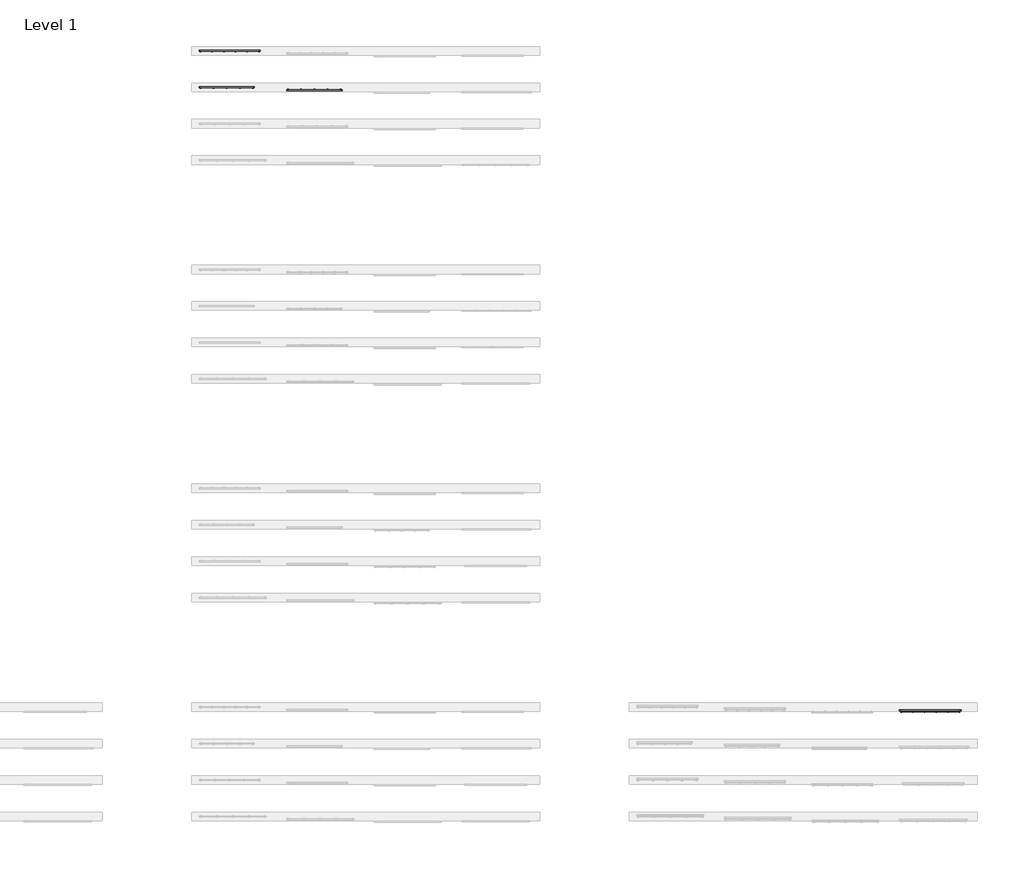
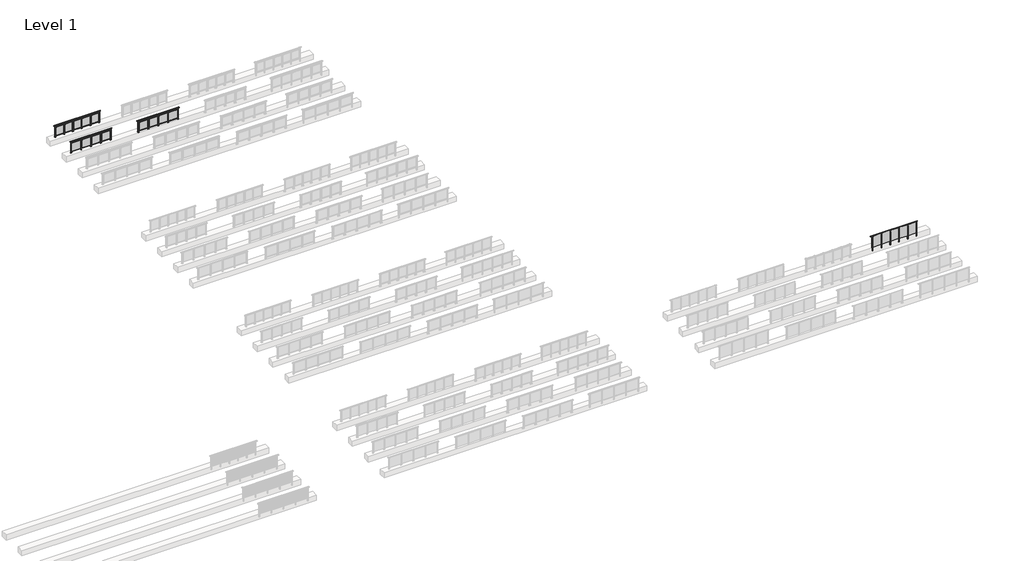
# One storey, part 35 of 37: 4 railings.
"""IFC4 building model written with IfcOpenShell, lengths in millimetres."""

import ifcopenshell
import ifcopenshell.guid

model = None  # the IFC model being written
_history = None  # IfcOwnerHistory: only IFC2X3 demands one
_inside = {}  # id of a spatial element -> (the spatial element, [elements in it])
_under = {}  # id of a project, library or spatial element -> (it, [spatial elements below it])
_declared = {}  # id of a project -> (the project, [libraries it declares])
_typed = {}  # id of a type object -> (the type object, [elements of that type])
_made_of = {}  # id of a material, layer set ... -> (it, [elements and type objects made of it])


def new_model(schema):
    """Start an empty IFC model of exactly this schema.

    Asked for "IFC4X3", IfcOpenShell would pick the latest addendum, in which some entities
    have other attributes; the version numbers below select the first issue.
    IFC2X3 requires an IfcOwnerHistory on every rooted entity: one is made here for all.
    """
    global model, _history
    if schema == "IFC4X3":
        model = ifcopenshell.file(schema_version=(4, 3, 0, 0))
    else:
        model = ifcopenshell.file(schema=schema)
    _inside.clear()
    _under.clear()
    _declared.clear()
    _typed.clear()
    _made_of.clear()
    _history = None
    if model.schema == "IFC2X3":
        org = make("IfcOrganization", Name="unknown")
        user = make(
            "IfcPersonAndOrganization",
            ThePerson=make("IfcPerson", FamilyName="unknown"),
            TheOrganization=org,
        )
        app = make(
            "IfcApplication",
            ApplicationDeveloper=org,
            Version="unknown",
            ApplicationFullName="unknown",
            ApplicationIdentifier="unknown",
        )
        _history = make(
            "IfcOwnerHistory",
            OwningUser=user,
            OwningApplication=app,
            ChangeAction="ADDED",
            CreationDate=0,
        )
    return model


def make(cls, **values):
    """One entity of the class cls with the attributes given. An attribute that is None is left unset."""
    return model.create_entity(
        cls, **{name: value for name, value in values.items() if value is not None}
    )


def rooted(cls, **values):
    """An entity with a GlobalId (a new one), such as an element, a storey or a relation."""
    return make(cls, GlobalId=ifcopenshell.guid.new(), OwnerHistory=_history, **values)


def si_unit(unit_type, name, prefix=None):
    """IfcSIUnit, for example si_unit("LENGTHUNIT", "METRE", prefix="MILLI")."""
    return make("IfcSIUnit", UnitType=unit_type, Prefix=prefix, Name=name)


def assignment(units):
    """IfcUnitAssignment: the units of a project."""
    return None if units is None else make("IfcUnitAssignment", Units=units)


def point(xyz):
    """IfcCartesianPoint."""
    return None if xyz is None else make("IfcCartesianPoint", Coordinates=xyz)


def direction(xyz):
    """IfcDirection."""
    return None if xyz is None else make("IfcDirection", DirectionRatios=xyz)


def frame(location, z_axis=None, x_axis=None):
    """IfcAxis2Placement3D, a coordinate frame: its origin and axes. An axis left out is left unset."""
    return make(
        "IfcAxis2Placement3D",
        Location=point(location),
        Axis=direction(z_axis),
        RefDirection=direction(x_axis),
    )


def frame_2d(location, x_axis=None):
    """IfcAxis2Placement2D, a coordinate frame in the plane: its origin and x axis."""
    return make(
        "IfcAxis2Placement2D", Location=point(location), RefDirection=direction(x_axis)
    )


def origin():
    """The frame at (0, 0, 0) with its axes left unset."""
    return frame((0.0, 0.0, 0.0))


def origin_with_axes():
    """The frame at (0, 0, 0) with the z axis (0, 0, 1) and the x axis (1, 0, 0) written out."""
    return frame((0.0, 0.0, 0.0), z_axis=(0.0, 0.0, 1.0), x_axis=(1.0, 0.0, 0.0))


def place(relative_to, where):
    """IfcLocalPlacement: puts the frame where relative to a parent placement (None: the world)."""
    return make(
        "IfcLocalPlacement", PlacementRelTo=relative_to, RelativePlacement=where
    )


def context(
    kind, dimensions, precision=None, world=None, true_north=None, identifier=None
):
    """IfcGeometricRepresentationContext, for example the 3D "Model" context."""
    return make(
        "IfcGeometricRepresentationContext",
        ContextIdentifier=identifier,
        ContextType=kind,
        CoordinateSpaceDimension=dimensions,
        Precision=precision,
        WorldCoordinateSystem=world,
        TrueNorth=true_north,
    )


def project(units=None, contexts=None):
    """IfcProject with its units and contexts."""
    return rooted(
        "IfcProject",
        Name="project",
        RepresentationContexts=contexts,
        UnitsInContext=assignment(units),
    )


def spatial(cls, under=None, at=None, **own):
    """A site, building, storey or space (cls), placed at a placement, below another one or the project."""
    s = rooted(cls, ObjectPlacement=at, **own)
    if under is not None:
        _under.setdefault(under.id(), (under, []))[1].append(s)
    return s


def polyline(points):
    """IfcPolyline through the points."""
    return make("IfcPolyline", Points=[point(p) for p in points])


def circle_curve(where, radius):
    """IfcCircle in the frame where."""
    return make("IfcCircle", Position=where, Radius=radius)


def trimmed(basis, trim1, trim2, sense, master):
    """IfcTrimmedCurve: the piece of a basis curve between two trims."""
    return make(
        "IfcTrimmedCurve",
        BasisCurve=basis,
        Trim1=trim1,
        Trim2=trim2,
        SenseAgreement=sense,
        MasterRepresentation=master,
    )


def segment(curve, same_sense, transition):
    """IfcCompositeCurveSegment."""
    return make(
        "IfcCompositeCurveSegment",
        Transition=transition,
        SameSense=same_sense,
        ParentCurve=curve,
    )


def composite_curve(segments, self_intersect=None):
    """IfcCompositeCurve: segments joined end to end."""
    return make("IfcCompositeCurve", Segments=segments, SelfIntersect=self_intersect)


def outline(outer, holes=None, kind="AREA"):
    """IfcArbitraryClosedProfileDef: a profile drawn as a closed curve; with holes, ...WithVoids."""
    if holes is None:
        return make("IfcArbitraryClosedProfileDef", ProfileType=kind, OuterCurve=outer)
    return make(
        "IfcArbitraryProfileDefWithVoids",
        ProfileType=kind,
        OuterCurve=outer,
        InnerCurves=holes,
    )


def extrude(swept, where, along, depth):
    """IfcExtrudedAreaSolid: the profile swept, set in the frame where, extruded along a direction by depth."""
    return make(
        "IfcExtrudedAreaSolid",
        SweptArea=swept,
        Position=where,
        ExtrudedDirection=direction(along),
        Depth=depth,
    )


def faces_of(points, faces, orient=None, outer=None):
    """IfcFace entities. A face is a list of loops; a loop is a list of indices into points, from 0.

    orient and outer hold one flag for each loop. By default every Orientation is true, the
    first loop of a face is its IfcFaceOuterBound and the others are IfcFaceBound.
    """
    made = []
    for i, loops in enumerate(faces):
        bounds = []
        for j, loop in enumerate(loops):
            is_outer = j == 0 if outer is None else outer[i][j]
            bounds.append(
                make(
                    "IfcFaceOuterBound" if is_outer else "IfcFaceBound",
                    Bound=make("IfcPolyLoop", Polygon=[points[k] for k in loop]),
                    Orientation=True if orient is None else orient[i][j],
                )
            )
        made.append(make("IfcFace", Bounds=bounds))
    return made


def faceted_brep(points, faces, orient=None, outer=None, voids=None):
    """IfcFacetedBrep: a solid bounded by flat faces; with voids (closed shells), ...WithVoids."""
    shared = [point(p) for p in points]
    hull = make("IfcClosedShell", CfsFaces=faces_of(shared, faces, orient, outer))
    if voids is None:
        return make("IfcFacetedBrep", Outer=hull)
    return make(
        "IfcFacetedBrepWithVoids",
        Outer=hull,
        Voids=[
            make(cls, CfsFaces=faces_of(shared, fs, o, b)) for cls, fs, o, b in voids
        ],
    )


def shape(context_of_items, identifier, shape_type, items):
    """IfcShapeRepresentation: the items that make up one representation, for example the "Body"."""
    return make(
        "IfcShapeRepresentation",
        ContextOfItems=context_of_items,
        RepresentationIdentifier=identifier,
        RepresentationType=shape_type,
        Items=items,
    )


def made_of(thing, what):
    """Note that an element or type object is made of a material, layer set ...; save() writes the relation."""
    if what is not None:
        _made_of.setdefault(what.id(), (what, []))[1].append(thing)
    return thing


def element(
    cls,
    number,
    at=None,
    inside=None,
    cuts=None,
    type_object=None,
    material=None,
    context=None,
    identifier="Body",
    shape_type=None,
    held_by="IfcProductDefinitionShape",
    body=None,
    shapes=None,
    **own,
):
    """One element of the class cls, such as IfcWall. Its Tag is "e" and its number.

    at: its placement. inside: the storey or other place that contains it. cuts: it is an
    opening in that element (IfcRelVoidsElement). A single representation is given by context,
    identifier, shape_type and body (its items); several are given by shapes. held_by: the class
    of the entity that holds the representations. save() writes the other relations.
    """
    e = rooted(cls, Tag="e%d" % number, ObjectPlacement=at, **own)
    if body is not None:
        shapes = [shape(context, identifier, shape_type, body)]
    if shapes is not None:
        e.Representation = make(held_by, Representations=shapes)
    if inside is not None:
        _inside.setdefault(inside.id(), (inside, []))[1].append(e)
    if cuts is not None:
        rooted(
            "IfcRelVoidsElement", RelatingBuildingElement=cuts, RelatedOpeningElement=e
        )
    if type_object is not None:
        _typed.setdefault(type_object.id(), (type_object, []))[1].append(e)
    return made_of(e, material)


def aggregate(whole, parts):
    """IfcRelAggregates: a whole, such as a stair, and the parts it consists of."""
    return rooted("IfcRelAggregates", RelatingObject=whole, RelatedObjects=parts)


def save(model, path):
    """Write the relations noted so far, then the file.

    IfcRelAggregates (storeys below a building ...), IfcRelContainedInSpatialStructure (elements
    in a storey), IfcRelDefinesByType, IfcRelAssociatesMaterial and IfcRelDeclares: one each for
    every whole, place, type object, material and project.
    """
    for whole, parts in _under.values():
        aggregate(whole, parts)
    for where, things in _inside.values():
        rooted(
            "IfcRelContainedInSpatialStructure",
            RelatedElements=things,
            RelatingStructure=where,
        )
    for kind, things in _typed.values():
        rooted("IfcRelDefinesByType", RelatedObjects=things, RelatingType=kind)
    for what, things in _made_of.values():
        rooted("IfcRelAssociatesMaterial", RelatedObjects=things, RelatingMaterial=what)
    for by, libraries in _declared.values():
        rooted("IfcRelDeclares", RelatingContext=by, RelatedDefinitions=libraries)
    model.write(path)


model = new_model("IFC4")

# Units and contexts
model_context = context("Model", 3, world=origin())
ifc_project = project(units=[si_unit("LENGTHUNIT", "METRE", prefix="MILLI")], contexts=[model_context])

# Site, building, storey
site = spatial("IfcSite", under=ifc_project)
building = spatial("IfcBuilding", under=site)
storey = spatial("IfcBuildingStorey", under=building, Name="Level 1", Elevation=0.0)

# Railings
placement = place(None, origin())
element("IfcRailing", 1, at=placement, inside=storey, context=model_context, shape_type="SolidModel", body=[
    faceted_brep([(30000.0, 65220.1846828, 1055.0), (30000.0, 65220.1846828, 1100.0), (33600.0, 65220.1846828, 1100.0), (33600.0, 65220.1846828, 1055.0), (30000.0, 65160.1846828, 1055.0), (33600.0, 65160.1846828, 1055.0), (30000.0, 65160.1846828, 1100.0), (33600.0, 65160.1846828, 1100.0), (29900.0, 65220.1846828, 1100.0), (29900.0, 65220.1846828, 1055.0), (29900.0, 65160.1846828, 1055.0), (29900.0, 65160.1846828, 1100.0), (33700.0, 65220.1846828, 1100.0), (33700.0, 65160.1846828, 1100.0), (33700.0, 65160.1846828, 1055.0), (33700.0, 65220.1846828, 1055.0)], [[[0, 1, 2, 3]], [[4, 0, 3, 5]], [[6, 4, 5, 7]], [[1, 6, 7, 2]], [[8, 9, 10, 11]], [[9, 8, 1, 0]], [[10, 9, 0, 4]], [[11, 10, 4, 6]], [[8, 11, 6, 1]], [[12, 13, 14, 15]], [[3, 2, 12, 15]], [[5, 3, 15, 14]], [[7, 5, 14, 13]], [[2, 7, 13, 12]]]),
    extrude(outline(polyline([(30000.0, 65172.6846828), (30000.0, 65207.6846828), (33600.0, 65207.6846828), (33600.0, 65172.6846828), (30000.0, 65172.6846828)])), frame((0.0, 0.0, 930.0), z_axis=(0.0, 0.0, 1.0), x_axis=(1.0, 0.0, 0.0)), (0.0, 0.0, 1.0), 30.0),
    extrude(outline(polyline([(30000.0, 65172.6846828), (30000.0, 65207.6846828), (33600.0, 65207.6846828), (33600.0, 65172.6846828), (30000.0, 65172.6846828)])), frame((0.0, 0.0, 95.0), z_axis=(0.0, 0.0, 1.0), x_axis=(1.0, 0.0, 0.0)), (0.0, 0.0, 1.0), 30.0),
    extrude(outline(polyline([(32772.5, 65191.9598727), (33527.5, 65191.9598727), (33527.5, 65185.9598727), (32772.5, 65185.9598727), (32772.5, 65191.9598727)])), frame((0.0, 0.0, 125.0), z_axis=(0.0, 0.0, 1.0), x_axis=(1.0, 0.0, 0.0)), (0.0, 0.0, 1.0), 805.0),
    extrude(outline(polyline([(32710.0, 65180.1846828), (32690.0, 65180.1846828), (32690.0, 65200.1846828), (32710.0, 65200.1846828), (32710.0, 65180.1846828)])), frame((0.0, 0.0, 1035.0), z_axis=(0.0, 0.0, 1.0), x_axis=(1.0, 0.0, 0.0)), (0.0, 0.0, 1.0), 20.0),
    extrude(outline(polyline([(32722.5, 65157.6846828), (32677.5, 65157.6846828), (32677.5, 65222.6846828), (32722.5, 65222.6846828), (32722.5, 65157.6846828)])), frame((0.0, 0.0, 1027.0), z_axis=(0.0, 0.0, 1.0), x_axis=(1.0, 0.0, 0.0)), (0.0, 0.0, 1.0), 8.0),
    extrude(outline(polyline([(32750.0, 65140.1846828), (32650.0, 65140.1846828), (32650.0, 65240.1846828), (32750.0, 65240.1846828), (32750.0, 65140.1846828)])), origin_with_axes(), (0.0, 0.0, 1.0), 12.0),
    extrude(outline(polyline([(32722.5, 65157.6846828), (32677.5, 65157.6846828), (32677.5, 65222.6846828), (32722.5, 65222.6846828), (32722.5, 65157.6846828)])), frame((0.0, 0.0, 12.0), z_axis=(0.0, 0.0, 1.0), x_axis=(1.0, 0.0, 0.0)), (0.0, 0.0, 1.0), 1015.0),
    extrude(outline(polyline([(31872.5, 65191.9598727), (32627.5, 65191.9598727), (32627.5, 65185.9598727), (31872.5, 65185.9598727), (31872.5, 65191.9598727)])), frame((0.0, 0.0, 125.0), z_axis=(0.0, 0.0, 1.0), x_axis=(1.0, 0.0, 0.0)), (0.0, 0.0, 1.0), 805.0),
    extrude(outline(polyline([(31810.0, 65180.1846828), (31790.0, 65180.1846828), (31790.0, 65200.1846828), (31810.0, 65200.1846828), (31810.0, 65180.1846828)])), frame((0.0, 0.0, 1035.0), z_axis=(0.0, 0.0, 1.0), x_axis=(1.0, 0.0, 0.0)), (0.0, 0.0, 1.0), 20.0),
    extrude(outline(polyline([(31822.5, 65157.6846828), (31777.5, 65157.6846828), (31777.5, 65222.6846828), (31822.5, 65222.6846828), (31822.5, 65157.6846828)])), frame((0.0, 0.0, 1027.0), z_axis=(0.0, 0.0, 1.0), x_axis=(1.0, 0.0, 0.0)), (0.0, 0.0, 1.0), 8.0),
    extrude(outline(polyline([(31850.0, 65140.1846828), (31750.0, 65140.1846828), (31750.0, 65240.1846828), (31850.0, 65240.1846828), (31850.0, 65140.1846828)])), origin_with_axes(), (0.0, 0.0, 1.0), 12.0),
    extrude(outline(polyline([(31822.5, 65157.6846828), (31777.5, 65157.6846828), (31777.5, 65222.6846828), (31822.5, 65222.6846828), (31822.5, 65157.6846828)])), frame((0.0, 0.0, 12.0), z_axis=(0.0, 0.0, 1.0), x_axis=(1.0, 0.0, 0.0)), (0.0, 0.0, 1.0), 1015.0),
    extrude(outline(polyline([(30972.5, 65191.9598727), (31727.5, 65191.9598727), (31727.5, 65185.9598727), (30972.5, 65185.9598727), (30972.5, 65191.9598727)])), frame((0.0, 0.0, 125.0), z_axis=(0.0, 0.0, 1.0), x_axis=(1.0, 0.0, 0.0)), (0.0, 0.0, 1.0), 805.0),
    extrude(outline(polyline([(30910.0, 65180.1846828), (30890.0, 65180.1846828), (30890.0, 65200.1846828), (30910.0, 65200.1846828), (30910.0, 65180.1846828)])), frame((0.0, 0.0, 1035.0), z_axis=(0.0, 0.0, 1.0), x_axis=(1.0, 0.0, 0.0)), (0.0, 0.0, 1.0), 20.0),
    extrude(outline(polyline([(30922.5, 65157.6846828), (30877.5, 65157.6846828), (30877.5, 65222.6846828), (30922.5, 65222.6846828), (30922.5, 65157.6846828)])), frame((0.0, 0.0, 1027.0), z_axis=(0.0, 0.0, 1.0), x_axis=(1.0, 0.0, 0.0)), (0.0, 0.0, 1.0), 8.0),
    extrude(outline(polyline([(30950.0, 65140.1846828), (30850.0, 65140.1846828), (30850.0, 65240.1846828), (30950.0, 65240.1846828), (30950.0, 65140.1846828)])), origin_with_axes(), (0.0, 0.0, 1.0), 12.0),
    extrude(outline(polyline([(30922.5, 65157.6846828), (30877.5, 65157.6846828), (30877.5, 65222.6846828), (30922.5, 65222.6846828), (30922.5, 65157.6846828)])), frame((0.0, 0.0, 12.0), z_axis=(0.0, 0.0, 1.0), x_axis=(1.0, 0.0, 0.0)), (0.0, 0.0, 1.0), 1015.0),
    extrude(outline(polyline([(30072.5, 65191.9598727), (30827.5, 65191.9598727), (30827.5, 65185.9598727), (30072.5, 65185.9598727), (30072.5, 65191.9598727)])), frame((0.0, 0.0, 125.0), z_axis=(0.0, 0.0, 1.0), x_axis=(1.0, 0.0, 0.0)), (0.0, 0.0, 1.0), 805.0),
    extrude(outline(polyline([(33610.0, 65180.1846828), (33590.0, 65180.1846828), (33590.0, 65200.1846828), (33610.0, 65200.1846828), (33610.0, 65180.1846828)])), frame((0.0, 0.0, 1035.0), z_axis=(0.0, 0.0, 1.0), x_axis=(1.0, 0.0, 0.0)), (0.0, 0.0, 1.0), 20.0),
    extrude(outline(polyline([(33622.5, 65157.6846828), (33577.5, 65157.6846828), (33577.5, 65222.6846828), (33622.5, 65222.6846828), (33622.5, 65157.6846828)])), frame((0.0, 0.0, 1027.0), z_axis=(0.0, 0.0, 1.0), x_axis=(1.0, 0.0, 0.0)), (0.0, 0.0, 1.0), 8.0),
    extrude(outline(polyline([(33650.0, 65140.1846828), (33550.0, 65140.1846828), (33550.0, 65240.1846828), (33650.0, 65240.1846828), (33650.0, 65140.1846828)])), origin_with_axes(), (0.0, 0.0, 1.0), 12.0),
    extrude(outline(polyline([(33622.5, 65157.6846828), (33577.5, 65157.6846828), (33577.5, 65222.6846828), (33622.5, 65222.6846828), (33622.5, 65157.6846828)])), frame((0.0, 0.0, 12.0), z_axis=(0.0, 0.0, 1.0), x_axis=(1.0, 0.0, 0.0)), (0.0, 0.0, 1.0), 1015.0),
    extrude(outline(polyline([(30010.0, 65180.1846828), (29990.0, 65180.1846828), (29990.0, 65200.1846828), (30010.0, 65200.1846828), (30010.0, 65180.1846828)])), frame((0.0, 0.0, 1035.0), z_axis=(0.0, 0.0, 1.0), x_axis=(1.0, 0.0, 0.0)), (0.0, 0.0, 1.0), 20.0),
    extrude(outline(polyline([(30022.5, 65157.6846828), (29977.5, 65157.6846828), (29977.5, 65222.6846828), (30022.5, 65222.6846828), (30022.5, 65157.6846828)])), frame((0.0, 0.0, 1027.0), z_axis=(0.0, 0.0, 1.0), x_axis=(1.0, 0.0, 0.0)), (0.0, 0.0, 1.0), 8.0),
    extrude(outline(polyline([(30050.0, 65140.1846828), (29950.0, 65140.1846828), (29950.0, 65240.1846828), (30050.0, 65240.1846828), (30050.0, 65140.1846828)])), origin_with_axes(), (0.0, 0.0, 1.0), 12.0),
    extrude(outline(polyline([(30022.5, 65157.6846828), (29977.5, 65157.6846828), (29977.5, 65222.6846828), (30022.5, 65222.6846828), (30022.5, 65157.6846828)])), frame((0.0, 0.0, 12.0), z_axis=(0.0, 0.0, 1.0), x_axis=(1.0, 0.0, 0.0)), (0.0, 0.0, 1.0), 1015.0),
])
element("IfcRailing", 2, at=placement, inside=storey, context=model_context, shape_type="SolidModel", body=[
    faceted_brep([(36000.0, 65030.1846828, 1055.0), (36000.0, 65030.1846828, 1100.0), (39600.0, 65030.1846828, 1100.0), (39600.0, 65030.1846828, 1055.0), (36000.0, 64970.1846828, 1055.0), (39600.0, 64970.1846828, 1055.0), (36000.0, 64970.1846828, 1100.0), (39600.0, 64970.1846828, 1100.0), (35900.0, 65030.1846828, 1100.0), (35900.0, 65030.1846828, 1055.0), (35900.0, 64970.1846828, 1055.0), (35900.0, 64970.1846828, 1100.0), (39700.0, 65030.1846828, 1100.0), (39700.0, 64970.1846828, 1100.0), (39700.0, 64970.1846828, 1055.0), (39700.0, 65030.1846828, 1055.0)], [[[0, 1, 2, 3]], [[4, 0, 3, 5]], [[6, 4, 5, 7]], [[1, 6, 7, 2]], [[8, 9, 10, 11]], [[9, 8, 1, 0]], [[10, 9, 0, 4]], [[11, 10, 4, 6]], [[8, 11, 6, 1]], [[12, 13, 14, 15]], [[3, 2, 12, 15]], [[5, 3, 15, 14]], [[7, 5, 14, 13]], [[2, 7, 13, 12]]]),
    extrude(outline(polyline([(36000.0, 64982.6846828), (36000.0, 65017.6846828), (39600.0, 65017.6846828), (39600.0, 64982.6846828), (36000.0, 64982.6846828)])), frame((0.0, 0.0, 930.0), z_axis=(0.0, 0.0, 1.0), x_axis=(1.0, 0.0, 0.0)), (0.0, 0.0, 1.0), 30.0),
    extrude(outline(polyline([(36000.0, 64982.6846828), (36000.0, 65017.6846828), (39600.0, 65017.6846828), (39600.0, 64982.6846828), (36000.0, 64982.6846828)])), frame((0.0, 0.0, 95.0), z_axis=(0.0, 0.0, 1.0), x_axis=(1.0, 0.0, 0.0)), (0.0, 0.0, 1.0), 30.0),
    extrude(outline(polyline([(38772.5, 65001.9598727), (39527.5, 65001.9598727), (39527.5, 64995.9598727), (38772.5, 64995.9598727), (38772.5, 65001.9598727)])), frame((0.0, 0.0, 125.0), z_axis=(0.0, 0.0, 1.0), x_axis=(1.0, 0.0, 0.0)), (0.0, 0.0, 1.0), 805.0),
    extrude(outline(polyline([(38710.0, 64990.1846828), (38690.0, 64990.1846828), (38690.0, 65010.1846828), (38710.0, 65010.1846828), (38710.0, 64990.1846828)])), frame((0.0, 0.0, 1035.0), z_axis=(0.0, 0.0, 1.0), x_axis=(1.0, 0.0, 0.0)), (0.0, 0.0, 1.0), 20.0),
    extrude(outline(polyline([(38722.5, 64967.6846828), (38677.5, 64967.6846828), (38677.5, 65032.6846828), (38722.5, 65032.6846828), (38722.5, 64967.6846828)])), frame((0.0, 0.0, 1027.0), z_axis=(0.0, 0.0, 1.0), x_axis=(1.0, 0.0, 0.0)), (0.0, 0.0, 1.0), 8.0),
    extrude(outline(polyline([(38750.0, 64950.1846828), (38650.0, 64950.1846828), (38650.0, 65050.1846828), (38750.0, 65050.1846828), (38750.0, 64950.1846828)])), origin_with_axes(), (0.0, 0.0, 1.0), 12.0),
    extrude(outline(polyline([(38722.5, 64967.6846828), (38677.5, 64967.6846828), (38677.5, 65032.6846828), (38722.5, 65032.6846828), (38722.5, 64967.6846828)])), frame((0.0, 0.0, 12.0), z_axis=(0.0, 0.0, 1.0), x_axis=(1.0, 0.0, 0.0)), (0.0, 0.0, 1.0), 1015.0),
    extrude(outline(polyline([(37872.5, 65001.9598727), (38627.5, 65001.9598727), (38627.5, 64995.9598727), (37872.5, 64995.9598727), (37872.5, 65001.9598727)])), frame((0.0, 0.0, 125.0), z_axis=(0.0, 0.0, 1.0), x_axis=(1.0, 0.0, 0.0)), (0.0, 0.0, 1.0), 805.0),
    extrude(outline(polyline([(37810.0, 64990.1846828), (37790.0, 64990.1846828), (37790.0, 65010.1846828), (37810.0, 65010.1846828), (37810.0, 64990.1846828)])), frame((0.0, 0.0, 1035.0), z_axis=(0.0, 0.0, 1.0), x_axis=(1.0, 0.0, 0.0)), (0.0, 0.0, 1.0), 20.0),
    extrude(outline(polyline([(37822.5, 64967.6846828), (37777.5, 64967.6846828), (37777.5, 65032.6846828), (37822.5, 65032.6846828), (37822.5, 64967.6846828)])), frame((0.0, 0.0, 1027.0), z_axis=(0.0, 0.0, 1.0), x_axis=(1.0, 0.0, 0.0)), (0.0, 0.0, 1.0), 8.0),
    extrude(outline(polyline([(37850.0, 64950.1846828), (37750.0, 64950.1846828), (37750.0, 65050.1846828), (37850.0, 65050.1846828), (37850.0, 64950.1846828)])), origin_with_axes(), (0.0, 0.0, 1.0), 12.0),
    extrude(outline(polyline([(37822.5, 64967.6846828), (37777.5, 64967.6846828), (37777.5, 65032.6846828), (37822.5, 65032.6846828), (37822.5, 64967.6846828)])), frame((0.0, 0.0, 12.0), z_axis=(0.0, 0.0, 1.0), x_axis=(1.0, 0.0, 0.0)), (0.0, 0.0, 1.0), 1015.0),
    extrude(outline(polyline([(36972.5, 65001.9598727), (37727.5, 65001.9598727), (37727.5, 64995.9598727), (36972.5, 64995.9598727), (36972.5, 65001.9598727)])), frame((0.0, 0.0, 125.0), z_axis=(0.0, 0.0, 1.0), x_axis=(1.0, 0.0, 0.0)), (0.0, 0.0, 1.0), 805.0),
    extrude(outline(polyline([(36910.0, 64990.1846828), (36890.0, 64990.1846828), (36890.0, 65010.1846828), (36910.0, 65010.1846828), (36910.0, 64990.1846828)])), frame((0.0, 0.0, 1035.0), z_axis=(0.0, 0.0, 1.0), x_axis=(1.0, 0.0, 0.0)), (0.0, 0.0, 1.0), 20.0),
    extrude(outline(polyline([(36922.5, 64967.6846828), (36877.5, 64967.6846828), (36877.5, 65032.6846828), (36922.5, 65032.6846828), (36922.5, 64967.6846828)])), frame((0.0, 0.0, 1027.0), z_axis=(0.0, 0.0, 1.0), x_axis=(1.0, 0.0, 0.0)), (0.0, 0.0, 1.0), 8.0),
    extrude(outline(polyline([(36950.0, 64950.1846828), (36850.0, 64950.1846828), (36850.0, 65050.1846828), (36950.0, 65050.1846828), (36950.0, 64950.1846828)])), origin_with_axes(), (0.0, 0.0, 1.0), 12.0),
    extrude(outline(polyline([(36922.5, 64967.6846828), (36877.5, 64967.6846828), (36877.5, 65032.6846828), (36922.5, 65032.6846828), (36922.5, 64967.6846828)])), frame((0.0, 0.0, 12.0), z_axis=(0.0, 0.0, 1.0), x_axis=(1.0, 0.0, 0.0)), (0.0, 0.0, 1.0), 1015.0),
    extrude(outline(polyline([(36072.5, 65001.9598727), (36827.5, 65001.9598727), (36827.5, 64995.9598727), (36072.5, 64995.9598727), (36072.5, 65001.9598727)])), frame((0.0, 0.0, 125.0), z_axis=(0.0, 0.0, 1.0), x_axis=(1.0, 0.0, 0.0)), (0.0, 0.0, 1.0), 805.0),
    extrude(outline(polyline([(39610.0, 64990.1846828), (39590.0, 64990.1846828), (39590.0, 65010.1846828), (39610.0, 65010.1846828), (39610.0, 64990.1846828)])), frame((0.0, 0.0, 1035.0), z_axis=(0.0, 0.0, 1.0), x_axis=(1.0, 0.0, 0.0)), (0.0, 0.0, 1.0), 20.0),
    extrude(outline(polyline([(39622.5, 64967.6846828), (39577.5, 64967.6846828), (39577.5, 65032.6846828), (39622.5, 65032.6846828), (39622.5, 64967.6846828)])), frame((0.0, 0.0, 1027.0), z_axis=(0.0, 0.0, 1.0), x_axis=(1.0, 0.0, 0.0)), (0.0, 0.0, 1.0), 8.0),
    extrude(outline(polyline([(39650.0, 64950.1846828), (39550.0, 64950.1846828), (39550.0, 65050.1846828), (39650.0, 65050.1846828), (39650.0, 64950.1846828)])), origin_with_axes(), (0.0, 0.0, 1.0), 12.0),
    extrude(outline(polyline([(39622.5, 64967.6846828), (39577.5, 64967.6846828), (39577.5, 65032.6846828), (39622.5, 65032.6846828), (39622.5, 64967.6846828)])), frame((0.0, 0.0, 12.0), z_axis=(0.0, 0.0, 1.0), x_axis=(1.0, 0.0, 0.0)), (0.0, 0.0, 1.0), 1015.0),
    extrude(outline(polyline([(36010.0, 64990.1846828), (35990.0, 64990.1846828), (35990.0, 65010.1846828), (36010.0, 65010.1846828), (36010.0, 64990.1846828)])), frame((0.0, 0.0, 1035.0), z_axis=(0.0, 0.0, 1.0), x_axis=(1.0, 0.0, 0.0)), (0.0, 0.0, 1.0), 20.0),
    extrude(outline(polyline([(36022.5, 64967.6846828), (35977.5, 64967.6846828), (35977.5, 65032.6846828), (36022.5, 65032.6846828), (36022.5, 64967.6846828)])), frame((0.0, 0.0, 1027.0), z_axis=(0.0, 0.0, 1.0), x_axis=(1.0, 0.0, 0.0)), (0.0, 0.0, 1.0), 8.0),
    extrude(outline(polyline([(36050.0, 64950.1846828), (35950.0, 64950.1846828), (35950.0, 65050.1846828), (36050.0, 65050.1846828), (36050.0, 64950.1846828)])), origin_with_axes(), (0.0, 0.0, 1.0), 12.0),
    extrude(outline(polyline([(36022.5, 64967.6846828), (35977.5, 64967.6846828), (35977.5, 65032.6846828), (36022.5, 65032.6846828), (36022.5, 64967.6846828)])), frame((0.0, 0.0, 12.0), z_axis=(0.0, 0.0, 1.0), x_axis=(1.0, 0.0, 0.0)), (0.0, 0.0, 1.0), 1015.0),
])
element("IfcRailing", 3, at=placement, inside=storey, context=model_context, shape_type="SolidModel", body=[
    faceted_brep([(30000.0, 67720.1846828, 1055.0), (30000.0, 67720.1846828, 1100.0), (34000.0, 67720.1846828, 1100.0), (34000.0, 67720.1846828, 1055.0), (30000.0, 67660.1846828, 1055.0), (34000.0, 67660.1846828, 1055.0), (30000.0, 67660.1846828, 1100.0), (34000.0, 67660.1846828, 1100.0), (29900.0, 67720.1846828, 1100.0), (29900.0, 67720.1846828, 1055.0), (29900.0, 67660.1846828, 1055.0), (29900.0, 67660.1846828, 1100.0), (34100.0, 67720.1846828, 1100.0), (34100.0, 67660.1846828, 1100.0), (34100.0, 67660.1846828, 1055.0), (34100.0, 67720.1846828, 1055.0)], [[[0, 1, 2, 3]], [[4, 0, 3, 5]], [[6, 4, 5, 7]], [[1, 6, 7, 2]], [[8, 9, 10, 11]], [[9, 8, 1, 0]], [[10, 9, 0, 4]], [[11, 10, 4, 6]], [[8, 11, 6, 1]], [[12, 13, 14, 15]], [[3, 2, 12, 15]], [[5, 3, 15, 14]], [[7, 5, 14, 13]], [[2, 7, 13, 12]]]),
    extrude(outline(polyline([(30000.0, 67672.6846828), (30000.0, 67707.6846828), (34000.0, 67707.6846828), (34000.0, 67672.6846828), (30000.0, 67672.6846828)])), frame((0.0, 0.0, 930.0), z_axis=(0.0, 0.0, 1.0), x_axis=(1.0, 0.0, 0.0)), (0.0, 0.0, 1.0), 30.0),
    extrude(outline(polyline([(30000.0, 67672.6846828), (30000.0, 67707.6846828), (34000.0, 67707.6846828), (34000.0, 67672.6846828), (30000.0, 67672.6846828)])), frame((0.0, 0.0, 95.0), z_axis=(0.0, 0.0, 1.0), x_axis=(1.0, 0.0, 0.0)), (0.0, 0.0, 1.0), 30.0),
    extrude(outline(polyline([(33272.5, 67691.9598727), (33927.5, 67691.9598727), (33927.5, 67685.9598727), (33272.5, 67685.9598727), (33272.5, 67691.9598727)])), frame((0.0, 0.0, 125.0), z_axis=(0.0, 0.0, 1.0), x_axis=(1.0, 0.0, 0.0)), (0.0, 0.0, 1.0), 805.0),
    extrude(outline(polyline([(33210.0, 67680.1846828), (33190.0, 67680.1846828), (33190.0, 67700.1846828), (33210.0, 67700.1846828), (33210.0, 67680.1846828)])), frame((0.0, 0.0, 1035.0), z_axis=(0.0, 0.0, 1.0), x_axis=(1.0, 0.0, 0.0)), (0.0, 0.0, 1.0), 20.0),
    extrude(outline(polyline([(33222.5, 67657.6846828), (33177.5, 67657.6846828), (33177.5, 67722.6846828), (33222.5, 67722.6846828), (33222.5, 67657.6846828)])), frame((0.0, 0.0, 1027.0), z_axis=(0.0, 0.0, 1.0), x_axis=(1.0, 0.0, 0.0)), (0.0, 0.0, 1.0), 8.0),
    extrude(outline(polyline([(33250.0, 67640.1846828), (33150.0, 67640.1846828), (33150.0, 67740.1846828), (33250.0, 67740.1846828), (33250.0, 67640.1846828)])), origin_with_axes(), (0.0, 0.0, 1.0), 12.0),
    extrude(outline(polyline([(33222.5, 67657.6846828), (33177.5, 67657.6846828), (33177.5, 67722.6846828), (33222.5, 67722.6846828), (33222.5, 67657.6846828)])), frame((0.0, 0.0, 12.0), z_axis=(0.0, 0.0, 1.0), x_axis=(1.0, 0.0, 0.0)), (0.0, 0.0, 1.0), 1015.0),
    extrude(outline(polyline([(32472.5, 67691.9598727), (33127.5, 67691.9598727), (33127.5, 67685.9598727), (32472.5, 67685.9598727), (32472.5, 67691.9598727)])), frame((0.0, 0.0, 125.0), z_axis=(0.0, 0.0, 1.0), x_axis=(1.0, 0.0, 0.0)), (0.0, 0.0, 1.0), 805.0),
    extrude(outline(polyline([(32410.0, 67680.1846828), (32390.0, 67680.1846828), (32390.0, 67700.1846828), (32410.0, 67700.1846828), (32410.0, 67680.1846828)])), frame((0.0, 0.0, 1035.0), z_axis=(0.0, 0.0, 1.0), x_axis=(1.0, 0.0, 0.0)), (0.0, 0.0, 1.0), 20.0),
    extrude(outline(polyline([(32422.5, 67657.6846828), (32377.5, 67657.6846828), (32377.5, 67722.6846828), (32422.5, 67722.6846828), (32422.5, 67657.6846828)])), frame((0.0, 0.0, 1027.0), z_axis=(0.0, 0.0, 1.0), x_axis=(1.0, 0.0, 0.0)), (0.0, 0.0, 1.0), 8.0),
    extrude(outline(polyline([(32450.0, 67640.1846828), (32350.0, 67640.1846828), (32350.0, 67740.1846828), (32450.0, 67740.1846828), (32450.0, 67640.1846828)])), origin_with_axes(), (0.0, 0.0, 1.0), 12.0),
    extrude(outline(polyline([(32422.5, 67657.6846828), (32377.5, 67657.6846828), (32377.5, 67722.6846828), (32422.5, 67722.6846828), (32422.5, 67657.6846828)])), frame((0.0, 0.0, 12.0), z_axis=(0.0, 0.0, 1.0), x_axis=(1.0, 0.0, 0.0)), (0.0, 0.0, 1.0), 1015.0),
    extrude(outline(polyline([(31672.5, 67691.9598727), (32327.5, 67691.9598727), (32327.5, 67685.9598727), (31672.5, 67685.9598727), (31672.5, 67691.9598727)])), frame((0.0, 0.0, 125.0), z_axis=(0.0, 0.0, 1.0), x_axis=(1.0, 0.0, 0.0)), (0.0, 0.0, 1.0), 805.0),
    extrude(outline(polyline([(31610.0, 67680.1846828), (31590.0, 67680.1846828), (31590.0, 67700.1846828), (31610.0, 67700.1846828), (31610.0, 67680.1846828)])), frame((0.0, 0.0, 1035.0), z_axis=(0.0, 0.0, 1.0), x_axis=(1.0, 0.0, 0.0)), (0.0, 0.0, 1.0), 20.0),
    extrude(outline(polyline([(31622.5, 67657.6846828), (31577.5, 67657.6846828), (31577.5, 67722.6846828), (31622.5, 67722.6846828), (31622.5, 67657.6846828)])), frame((0.0, 0.0, 1027.0), z_axis=(0.0, 0.0, 1.0), x_axis=(1.0, 0.0, 0.0)), (0.0, 0.0, 1.0), 8.0),
    extrude(outline(polyline([(31650.0, 67640.1846828), (31550.0, 67640.1846828), (31550.0, 67740.1846828), (31650.0, 67740.1846828), (31650.0, 67640.1846828)])), origin_with_axes(), (0.0, 0.0, 1.0), 12.0),
    extrude(outline(polyline([(31622.5, 67657.6846828), (31577.5, 67657.6846828), (31577.5, 67722.6846828), (31622.5, 67722.6846828), (31622.5, 67657.6846828)])), frame((0.0, 0.0, 12.0), z_axis=(0.0, 0.0, 1.0), x_axis=(1.0, 0.0, 0.0)), (0.0, 0.0, 1.0), 1015.0),
    extrude(outline(polyline([(30872.5, 67691.9598727), (31527.5, 67691.9598727), (31527.5, 67685.9598727), (30872.5, 67685.9598727), (30872.5, 67691.9598727)])), frame((0.0, 0.0, 125.0), z_axis=(0.0, 0.0, 1.0), x_axis=(1.0, 0.0, 0.0)), (0.0, 0.0, 1.0), 805.0),
    extrude(outline(polyline([(30810.0, 67680.1846828), (30790.0, 67680.1846828), (30790.0, 67700.1846828), (30810.0, 67700.1846828), (30810.0, 67680.1846828)])), frame((0.0, 0.0, 1035.0), z_axis=(0.0, 0.0, 1.0), x_axis=(1.0, 0.0, 0.0)), (0.0, 0.0, 1.0), 20.0),
    extrude(outline(polyline([(30822.5, 67657.6846828), (30777.5, 67657.6846828), (30777.5, 67722.6846828), (30822.5, 67722.6846828), (30822.5, 67657.6846828)])), frame((0.0, 0.0, 1027.0), z_axis=(0.0, 0.0, 1.0), x_axis=(1.0, 0.0, 0.0)), (0.0, 0.0, 1.0), 8.0),
    extrude(outline(polyline([(30850.0, 67640.1846828), (30750.0, 67640.1846828), (30750.0, 67740.1846828), (30850.0, 67740.1846828), (30850.0, 67640.1846828)])), origin_with_axes(), (0.0, 0.0, 1.0), 12.0),
    extrude(outline(polyline([(30822.5, 67657.6846828), (30777.5, 67657.6846828), (30777.5, 67722.6846828), (30822.5, 67722.6846828), (30822.5, 67657.6846828)])), frame((0.0, 0.0, 12.0), z_axis=(0.0, 0.0, 1.0), x_axis=(1.0, 0.0, 0.0)), (0.0, 0.0, 1.0), 1015.0),
    extrude(outline(polyline([(30072.5, 67691.9598727), (30727.5, 67691.9598727), (30727.5, 67685.9598727), (30072.5, 67685.9598727), (30072.5, 67691.9598727)])), frame((0.0, 0.0, 125.0), z_axis=(0.0, 0.0, 1.0), x_axis=(1.0, 0.0, 0.0)), (0.0, 0.0, 1.0), 805.0),
    extrude(outline(polyline([(34010.0, 67680.1846828), (33990.0, 67680.1846828), (33990.0, 67700.1846828), (34010.0, 67700.1846828), (34010.0, 67680.1846828)])), frame((0.0, 0.0, 1035.0), z_axis=(0.0, 0.0, 1.0), x_axis=(1.0, 0.0, 0.0)), (0.0, 0.0, 1.0), 20.0),
    extrude(outline(polyline([(34022.5, 67657.6846828), (33977.5, 67657.6846828), (33977.5, 67722.6846828), (34022.5, 67722.6846828), (34022.5, 67657.6846828)])), frame((0.0, 0.0, 1027.0), z_axis=(0.0, 0.0, 1.0), x_axis=(1.0, 0.0, 0.0)), (0.0, 0.0, 1.0), 8.0),
    extrude(outline(polyline([(34050.0, 67640.1846828), (33950.0, 67640.1846828), (33950.0, 67740.1846828), (34050.0, 67740.1846828), (34050.0, 67640.1846828)])), origin_with_axes(), (0.0, 0.0, 1.0), 12.0),
    extrude(outline(polyline([(34022.5, 67657.6846828), (33977.5, 67657.6846828), (33977.5, 67722.6846828), (34022.5, 67722.6846828), (34022.5, 67657.6846828)])), frame((0.0, 0.0, 12.0), z_axis=(0.0, 0.0, 1.0), x_axis=(1.0, 0.0, 0.0)), (0.0, 0.0, 1.0), 1015.0),
    extrude(outline(polyline([(30010.0, 67680.1846828), (29990.0, 67680.1846828), (29990.0, 67700.1846828), (30010.0, 67700.1846828), (30010.0, 67680.1846828)])), frame((0.0, 0.0, 1035.0), z_axis=(0.0, 0.0, 1.0), x_axis=(1.0, 0.0, 0.0)), (0.0, 0.0, 1.0), 20.0),
    extrude(outline(polyline([(30022.5, 67657.6846828), (29977.5, 67657.6846828), (29977.5, 67722.6846828), (30022.5, 67722.6846828), (30022.5, 67657.6846828)])), frame((0.0, 0.0, 1027.0), z_axis=(0.0, 0.0, 1.0), x_axis=(1.0, 0.0, 0.0)), (0.0, 0.0, 1.0), 8.0),
    extrude(outline(polyline([(30050.0, 67640.1846828), (29950.0, 67640.1846828), (29950.0, 67740.1846828), (30050.0, 67740.1846828), (30050.0, 67640.1846828)])), origin_with_axes(), (0.0, 0.0, 1.0), 12.0),
    extrude(outline(polyline([(30022.5, 67657.6846828), (29977.5, 67657.6846828), (29977.5, 67722.6846828), (30022.5, 67722.6846828), (30022.5, 67657.6846828)])), frame((0.0, 0.0, 12.0), z_axis=(0.0, 0.0, 1.0), x_axis=(1.0, 0.0, 0.0)), (0.0, 0.0, 1.0), 1015.0),
])
element("IfcRailing", 4, at=placement, inside=storey, context=model_context, shape_type="SolidModel", body=[
    faceted_brep([(78027.0, 22493.1846828, 1085.0), (78027.0, 22493.1846828, 1100.0), (82027.0, 22493.1846828, 1100.0), (82027.0, 22493.1846828, 1085.0), (78027.0, 22433.1846828, 1085.0), (82027.0, 22433.1846828, 1085.0), (78027.0, 22433.1846828, 1100.0), (82027.0, 22433.1846828, 1100.0), (77899.5, 22493.1846828, 1100.0), (77899.5, 22493.1846828, 1085.0), (77899.5, 22433.1846828, 1085.0), (77899.5, 22433.1846828, 1100.0), (82154.5, 22493.1846828, 1100.0), (82154.5, 22433.1846828, 1100.0), (82154.5, 22433.1846828, 1085.0), (82154.5, 22493.1846828, 1085.0)], [[[0, 1, 2, 3]], [[4, 0, 3, 5]], [[6, 4, 5, 7]], [[1, 6, 7, 2]], [[8, 9, 10, 11]], [[9, 8, 1, 0]], [[10, 9, 0, 4]], [[11, 10, 4, 6]], [[8, 11, 6, 1]], [[12, 13, 14, 15]], [[3, 2, 12, 15]], [[5, 3, 15, 14]], [[7, 5, 14, 13]], [[2, 7, 13, 12]]]),
    extrude(outline(polyline([(81237.0, 22361.9094929), (81237.0, 22371.9094929), (82017.0, 22371.9094929), (82017.0, 22361.9094929), (81237.0, 22361.9094929)])), frame((0.0, 0.0, 95.0), z_axis=(0.0, 0.0, 1.0), x_axis=(1.0, 0.0, 0.0)), (0.0, 0.0, 1.0), 1055.0),
    extrude(outline(composite_curve([segment(polyline([(22488.1846828, 1085.0), (22488.1846828, 1060.900037)]), True, "CONTINUOUS"), segment(trimmed(circle_curve(frame_2d((22478.1846828, 1060.900037)), 10.0), [point((22488.1846828, 1060.900037))], [point((22480.7728733, 1051.2407787))], False, "CARTESIAN"), True, "CONTINUOUS"), segment(polyline([(22480.7728733, 1051.2407787), (22423.7244733, 1035.9547061)]), True, "CONTINUOUS"), segment(trimmed(circle_curve(frame_2d((22426.3126638, 1026.2954478)), 10.0), [point((22423.7244733, 1035.9547061))], [point((22416.3982152, 1027.6007097))], True, "CARTESIAN"), True, "CONTINUOUS"), segment(polyline([(22416.3982152, 1027.6007097), (22411.791393, 992.6084214)]), True, "CONTINUOUS"), segment(trimmed(circle_curve(frame_2d((22408.8170584, 993.0)), 3.0), [point((22411.791393, 992.6084214))], [point((22408.8170584, 990.0))], False, "CARTESIAN"), True, "CONTINUOUS"), segment(polyline([(22408.8170584, 990.0), (22400.1846828, 990.0), (22400.1846828, 1040.0), (22464.1846828, 1057.1487483), (22464.1846828, 1085.0), (22488.1846828, 1085.0)]), True, "CONTINUOUS")], self_intersect=False)), frame((81214.5, 0.0, 0.0), z_axis=(1.0, 0.0, 0.0), x_axis=(0.0, 1.0, 0.0)), (0.0, 0.0, 1.0), 25.0),
    extrude(outline(polyline([(81249.5, 22400.1846828), (81249.5, 22335.1846828), (81204.5, 22335.1846828), (81204.5, 22400.1846828), (81249.5, 22400.1846828)])), frame((0.0, 0.0, 1040.0), z_axis=(0.0, 0.0, 1.0), x_axis=(1.0, 0.0, 0.0)), (0.0, 0.0, 1.0), 5.0),
    extrude(outline(polyline([(81249.5, 22400.1846828), (81249.5, 22335.1846828), (81204.5, 22335.1846828), (81204.5, 22400.1846828), (81249.5, 22400.1846828)])), frame((0.0, 0.0, -212.0), z_axis=(0.0, 0.0, 1.0), x_axis=(1.0, 0.0, 0.0)), (0.0, 0.0, 1.0), 1252.0),
    extrude(outline(polyline([(81249.5, 22400.1846828), (81249.5, 22335.1846828), (81204.5, 22335.1846828), (81204.5, 22400.1846828), (81249.5, 22400.1846828)])), frame((0.0, 0.0, -220.0), z_axis=(0.0, 0.0, 1.0), x_axis=(1.0, 0.0, 0.0)), (0.0, 0.0, 1.0), 8.0),
    extrude(outline(polyline([(80437.0, 22361.9094929), (80437.0, 22371.9094929), (81217.0, 22371.9094929), (81217.0, 22361.9094929), (80437.0, 22361.9094929)])), frame((0.0, 0.0, 95.0), z_axis=(0.0, 0.0, 1.0), x_axis=(1.0, 0.0, 0.0)), (0.0, 0.0, 1.0), 1055.0),
    extrude(outline(composite_curve([segment(polyline([(22488.1846828, 1085.0), (22488.1846828, 1060.900037)]), True, "CONTINUOUS"), segment(trimmed(circle_curve(frame_2d((22478.1846828, 1060.900037)), 10.0), [point((22488.1846828, 1060.900037))], [point((22480.7728733, 1051.2407787))], False, "CARTESIAN"), True, "CONTINUOUS"), segment(polyline([(22480.7728733, 1051.2407787), (22423.7244733, 1035.9547061)]), True, "CONTINUOUS"), segment(trimmed(circle_curve(frame_2d((22426.3126638, 1026.2954478)), 10.0), [point((22423.7244733, 1035.9547061))], [point((22416.3982152, 1027.6007097))], True, "CARTESIAN"), True, "CONTINUOUS"), segment(polyline([(22416.3982152, 1027.6007097), (22411.791393, 992.6084214)]), True, "CONTINUOUS"), segment(trimmed(circle_curve(frame_2d((22408.8170584, 993.0)), 3.0), [point((22411.791393, 992.6084214))], [point((22408.8170584, 990.0))], False, "CARTESIAN"), True, "CONTINUOUS"), segment(polyline([(22408.8170584, 990.0), (22400.1846828, 990.0), (22400.1846828, 1040.0), (22464.1846828, 1057.1487483), (22464.1846828, 1085.0), (22488.1846828, 1085.0)]), True, "CONTINUOUS")], self_intersect=False)), frame((80414.5, 0.0, 0.0), z_axis=(1.0, 0.0, 0.0), x_axis=(0.0, 1.0, 0.0)), (0.0, 0.0, 1.0), 25.0),
    extrude(outline(polyline([(80449.5, 22400.1846828), (80449.5, 22335.1846828), (80404.5, 22335.1846828), (80404.5, 22400.1846828), (80449.5, 22400.1846828)])), frame((0.0, 0.0, 1040.0), z_axis=(0.0, 0.0, 1.0), x_axis=(1.0, 0.0, 0.0)), (0.0, 0.0, 1.0), 5.0),
    extrude(outline(polyline([(80449.5, 22400.1846828), (80449.5, 22335.1846828), (80404.5, 22335.1846828), (80404.5, 22400.1846828), (80449.5, 22400.1846828)])), frame((0.0, 0.0, -212.0), z_axis=(0.0, 0.0, 1.0), x_axis=(1.0, 0.0, 0.0)), (0.0, 0.0, 1.0), 1252.0),
    extrude(outline(polyline([(80449.5, 22400.1846828), (80449.5, 22335.1846828), (80404.5, 22335.1846828), (80404.5, 22400.1846828), (80449.5, 22400.1846828)])), frame((0.0, 0.0, -220.0), z_axis=(0.0, 0.0, 1.0), x_axis=(1.0, 0.0, 0.0)), (0.0, 0.0, 1.0), 8.0),
    extrude(outline(polyline([(79637.0, 22361.9094929), (79637.0, 22371.9094929), (80417.0, 22371.9094929), (80417.0, 22361.9094929), (79637.0, 22361.9094929)])), frame((0.0, 0.0, 95.0), z_axis=(0.0, 0.0, 1.0), x_axis=(1.0, 0.0, 0.0)), (0.0, 0.0, 1.0), 1055.0),
    extrude(outline(composite_curve([segment(polyline([(22488.1846828, 1085.0), (22488.1846828, 1060.900037)]), True, "CONTINUOUS"), segment(trimmed(circle_curve(frame_2d((22478.1846828, 1060.900037)), 10.0), [point((22488.1846828, 1060.900037))], [point((22480.7728733, 1051.2407787))], False, "CARTESIAN"), True, "CONTINUOUS"), segment(polyline([(22480.7728733, 1051.2407787), (22423.7244733, 1035.9547061)]), True, "CONTINUOUS"), segment(trimmed(circle_curve(frame_2d((22426.3126638, 1026.2954478)), 10.0), [point((22423.7244733, 1035.9547061))], [point((22416.3982152, 1027.6007097))], True, "CARTESIAN"), True, "CONTINUOUS"), segment(polyline([(22416.3982152, 1027.6007097), (22411.791393, 992.6084214)]), True, "CONTINUOUS"), segment(trimmed(circle_curve(frame_2d((22408.8170584, 993.0)), 3.0), [point((22411.791393, 992.6084214))], [point((22408.8170584, 990.0))], False, "CARTESIAN"), True, "CONTINUOUS"), segment(polyline([(22408.8170584, 990.0), (22400.1846828, 990.0), (22400.1846828, 1040.0), (22464.1846828, 1057.1487483), (22464.1846828, 1085.0), (22488.1846828, 1085.0)]), True, "CONTINUOUS")], self_intersect=False)), frame((79614.5, 0.0, 0.0), z_axis=(1.0, 0.0, 0.0), x_axis=(0.0, 1.0, 0.0)), (0.0, 0.0, 1.0), 25.0),
    extrude(outline(polyline([(79649.5, 22400.1846828), (79649.5, 22335.1846828), (79604.5, 22335.1846828), (79604.5, 22400.1846828), (79649.5, 22400.1846828)])), frame((0.0, 0.0, 1040.0), z_axis=(0.0, 0.0, 1.0), x_axis=(1.0, 0.0, 0.0)), (0.0, 0.0, 1.0), 5.0),
    extrude(outline(polyline([(79649.5, 22400.1846828), (79649.5, 22335.1846828), (79604.5, 22335.1846828), (79604.5, 22400.1846828), (79649.5, 22400.1846828)])), frame((0.0, 0.0, -212.0), z_axis=(0.0, 0.0, 1.0), x_axis=(1.0, 0.0, 0.0)), (0.0, 0.0, 1.0), 1252.0),
    extrude(outline(polyline([(79649.5, 22400.1846828), (79649.5, 22335.1846828), (79604.5, 22335.1846828), (79604.5, 22400.1846828), (79649.5, 22400.1846828)])), frame((0.0, 0.0, -220.0), z_axis=(0.0, 0.0, 1.0), x_axis=(1.0, 0.0, 0.0)), (0.0, 0.0, 1.0), 8.0),
    extrude(outline(polyline([(78837.0, 22361.9094929), (78837.0, 22371.9094929), (79617.0, 22371.9094929), (79617.0, 22361.9094929), (78837.0, 22361.9094929)])), frame((0.0, 0.0, 95.0), z_axis=(0.0, 0.0, 1.0), x_axis=(1.0, 0.0, 0.0)), (0.0, 0.0, 1.0), 1055.0),
    extrude(outline(composite_curve([segment(polyline([(22488.1846828, 1085.0), (22488.1846828, 1060.900037)]), True, "CONTINUOUS"), segment(trimmed(circle_curve(frame_2d((22478.1846828, 1060.900037)), 10.0), [point((22488.1846828, 1060.900037))], [point((22480.7728733, 1051.2407787))], False, "CARTESIAN"), True, "CONTINUOUS"), segment(polyline([(22480.7728733, 1051.2407787), (22423.7244733, 1035.9547061)]), True, "CONTINUOUS"), segment(trimmed(circle_curve(frame_2d((22426.3126638, 1026.2954478)), 10.0), [point((22423.7244733, 1035.9547061))], [point((22416.3982152, 1027.6007097))], True, "CARTESIAN"), True, "CONTINUOUS"), segment(polyline([(22416.3982152, 1027.6007097), (22411.791393, 992.6084214)]), True, "CONTINUOUS"), segment(trimmed(circle_curve(frame_2d((22408.8170584, 993.0)), 3.0), [point((22411.791393, 992.6084214))], [point((22408.8170584, 990.0))], False, "CARTESIAN"), True, "CONTINUOUS"), segment(polyline([(22408.8170584, 990.0), (22400.1846828, 990.0), (22400.1846828, 1040.0), (22464.1846828, 1057.1487483), (22464.1846828, 1085.0), (22488.1846828, 1085.0)]), True, "CONTINUOUS")], self_intersect=False)), frame((78814.5, 0.0, 0.0), z_axis=(1.0, 0.0, 0.0), x_axis=(0.0, 1.0, 0.0)), (0.0, 0.0, 1.0), 25.0),
    extrude(outline(polyline([(78849.5, 22400.1846828), (78849.5, 22335.1846828), (78804.5, 22335.1846828), (78804.5, 22400.1846828), (78849.5, 22400.1846828)])), frame((0.0, 0.0, 1040.0), z_axis=(0.0, 0.0, 1.0), x_axis=(1.0, 0.0, 0.0)), (0.0, 0.0, 1.0), 5.0),
    extrude(outline(polyline([(78849.5, 22400.1846828), (78849.5, 22335.1846828), (78804.5, 22335.1846828), (78804.5, 22400.1846828), (78849.5, 22400.1846828)])), frame((0.0, 0.0, -212.0), z_axis=(0.0, 0.0, 1.0), x_axis=(1.0, 0.0, 0.0)), (0.0, 0.0, 1.0), 1252.0),
    extrude(outline(polyline([(78849.5, 22400.1846828), (78849.5, 22335.1846828), (78804.5, 22335.1846828), (78804.5, 22400.1846828), (78849.5, 22400.1846828)])), frame((0.0, 0.0, -220.0), z_axis=(0.0, 0.0, 1.0), x_axis=(1.0, 0.0, 0.0)), (0.0, 0.0, 1.0), 8.0),
    extrude(outline(polyline([(78037.0, 22361.9094929), (78037.0, 22371.9094929), (78817.0, 22371.9094929), (78817.0, 22361.9094929), (78037.0, 22361.9094929)])), frame((0.0, 0.0, 95.0), z_axis=(0.0, 0.0, 1.0), x_axis=(1.0, 0.0, 0.0)), (0.0, 0.0, 1.0), 1055.0),
    extrude(outline(composite_curve([segment(polyline([(22488.1846828, 1085.0), (22488.1846828, 1060.900037)]), True, "CONTINUOUS"), segment(trimmed(circle_curve(frame_2d((22478.1846828, 1060.900037)), 10.0), [point((22488.1846828, 1060.900037))], [point((22480.7728733, 1051.2407787))], False, "CARTESIAN"), True, "CONTINUOUS"), segment(polyline([(22480.7728733, 1051.2407787), (22423.7244733, 1035.9547061)]), True, "CONTINUOUS"), segment(trimmed(circle_curve(frame_2d((22426.3126638, 1026.2954478)), 10.0), [point((22423.7244733, 1035.9547061))], [point((22416.3982152, 1027.6007097))], True, "CARTESIAN"), True, "CONTINUOUS"), segment(polyline([(22416.3982152, 1027.6007097), (22411.791393, 992.6084214)]), True, "CONTINUOUS"), segment(trimmed(circle_curve(frame_2d((22408.8170584, 993.0)), 3.0), [point((22411.791393, 992.6084214))], [point((22408.8170584, 990.0))], False, "CARTESIAN"), True, "CONTINUOUS"), segment(polyline([(22408.8170584, 990.0), (22400.1846828, 990.0), (22400.1846828, 1040.0), (22464.1846828, 1057.1487483), (22464.1846828, 1085.0), (22488.1846828, 1085.0)]), True, "CONTINUOUS")], self_intersect=False)), frame((82014.5, 0.0, 0.0), z_axis=(1.0, 0.0, 0.0), x_axis=(0.0, 1.0, 0.0)), (0.0, 0.0, 1.0), 25.0),
    extrude(outline(polyline([(82049.5, 22400.1846828), (82049.5, 22335.1846828), (82004.5, 22335.1846828), (82004.5, 22400.1846828), (82049.5, 22400.1846828)])), frame((0.0, 0.0, 1040.0), z_axis=(0.0, 0.0, 1.0), x_axis=(1.0, 0.0, 0.0)), (0.0, 0.0, 1.0), 5.0),
    extrude(outline(polyline([(82049.5, 22400.1846828), (82049.5, 22335.1846828), (82004.5, 22335.1846828), (82004.5, 22400.1846828), (82049.5, 22400.1846828)])), frame((0.0, 0.0, -212.0), z_axis=(0.0, 0.0, 1.0), x_axis=(1.0, 0.0, 0.0)), (0.0, 0.0, 1.0), 1252.0),
    extrude(outline(polyline([(82049.5, 22400.1846828), (82049.5, 22335.1846828), (82004.5, 22335.1846828), (82004.5, 22400.1846828), (82049.5, 22400.1846828)])), frame((0.0, 0.0, -220.0), z_axis=(0.0, 0.0, 1.0), x_axis=(1.0, 0.0, 0.0)), (0.0, 0.0, 1.0), 8.0),
    extrude(outline(composite_curve([segment(polyline([(22488.1846828, 1085.0), (22488.1846828, 1060.900037)]), True, "CONTINUOUS"), segment(trimmed(circle_curve(frame_2d((22478.1846828, 1060.900037)), 10.0), [point((22488.1846828, 1060.900037))], [point((22480.7728733, 1051.2407787))], False, "CARTESIAN"), True, "CONTINUOUS"), segment(polyline([(22480.7728733, 1051.2407787), (22423.7244733, 1035.9547061)]), True, "CONTINUOUS"), segment(trimmed(circle_curve(frame_2d((22426.3126638, 1026.2954478)), 10.0), [point((22423.7244733, 1035.9547061))], [point((22416.3982152, 1027.6007097))], True, "CARTESIAN"), True, "CONTINUOUS"), segment(polyline([(22416.3982152, 1027.6007097), (22411.791393, 992.6084214)]), True, "CONTINUOUS"), segment(trimmed(circle_curve(frame_2d((22408.8170584, 993.0)), 3.0), [point((22411.791393, 992.6084214))], [point((22408.8170584, 990.0))], False, "CARTESIAN"), True, "CONTINUOUS"), segment(polyline([(22408.8170584, 990.0), (22400.1846828, 990.0), (22400.1846828, 1040.0), (22464.1846828, 1057.1487483), (22464.1846828, 1085.0), (22488.1846828, 1085.0)]), True, "CONTINUOUS")], self_intersect=False)), frame((78014.5, 0.0, 0.0), z_axis=(1.0, 0.0, 0.0), x_axis=(0.0, 1.0, 0.0)), (0.0, 0.0, 1.0), 25.0),
    extrude(outline(polyline([(78049.5, 22400.1846828), (78049.5, 22335.1846828), (78004.5, 22335.1846828), (78004.5, 22400.1846828), (78049.5, 22400.1846828)])), frame((0.0, 0.0, 1040.0), z_axis=(0.0, 0.0, 1.0), x_axis=(1.0, 0.0, 0.0)), (0.0, 0.0, 1.0), 5.0),
    extrude(outline(polyline([(78049.5, 22400.1846828), (78049.5, 22335.1846828), (78004.5, 22335.1846828), (78004.5, 22400.1846828), (78049.5, 22400.1846828)])), frame((0.0, 0.0, -212.0), z_axis=(0.0, 0.0, 1.0), x_axis=(1.0, 0.0, 0.0)), (0.0, 0.0, 1.0), 1252.0),
    extrude(outline(polyline([(78049.5, 22400.1846828), (78049.5, 22335.1846828), (78004.5, 22335.1846828), (78004.5, 22400.1846828), (78049.5, 22400.1846828)])), frame((0.0, 0.0, -220.0), z_axis=(0.0, 0.0, 1.0), x_axis=(1.0, 0.0, 0.0)), (0.0, 0.0, 1.0), 8.0),
])

save(model, "model.ifc")
